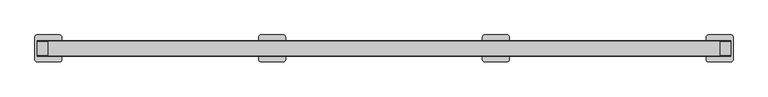
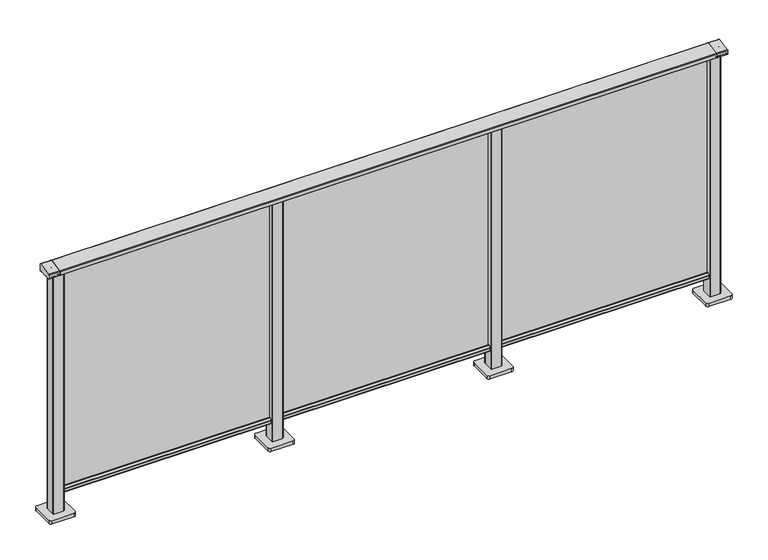
"""IFC4 building model written with IfcOpenShell, lengths in millimetres: railing geometry."""

from ifc_helpers import new_model, si_unit, point, frame, frame_2d, origin, origin_with_axes, place, context, project, spatial, polyline, circle_curve, trimmed, segment, composite_curve, outline, extrude, source, transform, mapped, element, save
from ifc_brep_helpers import plane_surface, cylinder_surface, advanced_brep


def railing_bee9b1e7(model_context):
    return source(origin(), model_context, "Body", "SolidModel", [
        extrude(outline(composite_curve([segment(trimmed(circle_curve(frame_2d((10327.8594975, 1197.0)), 3.0), [point((10327.338553, 1199.9544233))], [point((10330.8594975, 1197.0))], False, "CARTESIAN"), True, "CONTINUOUS"), segment(polyline([(10330.8594975, 1197.0), (10330.8594975, 1169.2)]), True, "CONTINUOUS"), segment(trimmed(circle_curve(frame_2d((10327.8594975, 1169.2)), 3.0), [point((10330.8594975, 1169.2))], [point((10327.8594975, 1166.2))], False, "CARTESIAN"), True, "CONTINUOUS"), segment(polyline([(10327.8594975, 1166.2), (10304.1783618, 1166.2)]), True, "CONTINUOUS"), segment(trimmed(circle_curve(frame_2d((10295.851515, 1183.2818957)), 19.003356), [point((10304.1783618, 1166.2))], [point((10287.5246681, 1166.2))], False, "CARTESIAN"), True, "CONTINUOUS"), segment(polyline([(10287.5246681, 1166.2), (10263.8594975, 1166.2)]), True, "CONTINUOUS"), segment(trimmed(circle_curve(frame_2d((10263.8594975, 1169.2)), 3.0), [point((10263.8594975, 1166.2))], [point((10260.8594975, 1169.2))], False, "CARTESIAN"), True, "CONTINUOUS"), segment(polyline([(10260.8594975, 1169.2), (10260.8594975, 1185.7150732)]), True, "CONTINUOUS"), segment(trimmed(circle_curve(frame_2d((10263.8594975, 1185.7150732)), 3.0), [point((10260.8594975, 1185.7150732))], [point((10263.338553, 1188.6694965))], False, "CARTESIAN"), True, "CONTINUOUS"), segment(polyline([(10263.338553, 1188.6694965), (10327.338553, 1199.9544233)]), True, "CONTINUOUS")], self_intersect=False)), frame((-418.6053075, 0.0, 0.0), z_axis=(1.0, 0.0, 0.0), x_axis=(0.0, 1.0, 0.0)), (0.0, 0.0, 1.0), 3000.0),
        extrude(outline(composite_curve([segment(trimmed(circle_curve(frame_2d((10280.1507946, 101.8)), 1.8), [point((10280.1507946, 100.0))], [point((10278.3507946, 101.8))], False, "CARTESIAN"), True, "CONTINUOUS"), segment(polyline([(10278.3507946, 101.8), (10278.3507946, 115.5269955)]), True, "CONTINUOUS"), segment(trimmed(circle_curve(frame_2d((10280.1507946, 115.5269955)), 1.8), [point((10278.3507946, 115.5269955))], [point((10278.7923377, 116.7079252))], False, "CARTESIAN"), True, "CONTINUOUS"), segment(polyline([(10278.7923377, 116.7079252), (10285.4626112, 124.3809297)]), True, "CONTINUOUS"), segment(trimmed(circle_curve(frame_2d((10286.8210681, 123.2)), 1.8), [point((10285.4626112, 124.3809297))], [point((10286.8210681, 125.0))], False, "CARTESIAN"), True, "CONTINUOUS"), segment(polyline([(10286.8210681, 125.0), (10290.5111103, 125.0), (10291.809167, 113.0), (10299.8924651, 113.0), (10301.1904968, 125.0), (10304.880515, 125.0)]), True, "CONTINUOUS"), segment(trimmed(circle_curve(frame_2d((10304.880515, 123.2)), 1.8), [point((10304.880515, 125.0))], [point((10306.2389697, 124.3809322))], False, "CARTESIAN"), True, "CONTINUOUS"), segment(polyline([(10306.2389697, 124.3809322), (10312.9092682, 116.7079277)]), True, "CONTINUOUS"), segment(trimmed(circle_curve(frame_2d((10311.5508136, 115.5269955)), 1.8), [point((10312.9092682, 116.7079277))], [point((10313.3508136, 115.5269955))], False, "CARTESIAN"), True, "CONTINUOUS"), segment(polyline([(10313.3508136, 115.5269955), (10313.3508136, 101.8)]), True, "CONTINUOUS"), segment(trimmed(circle_curve(frame_2d((10311.5508136, 101.8)), 1.8), [point((10313.3508136, 101.8))], [point((10311.5508136, 100.0))], False, "CARTESIAN"), True, "CONTINUOUS"), segment(polyline([(10311.5508136, 100.0), (10280.1507946, 100.0)]), True, "CONTINUOUS")], self_intersect=False)), frame((-418.6053075, 0.0, 0.0), z_axis=(1.0, 0.0, 0.0), x_axis=(0.0, 1.0, 0.0)), (0.0, 0.0, 1.0), 3000.0),
        extrude(outline(polyline([(-418.6053075, 10293.8508041), (-418.6053075, 10297.8508041), (2581.3946925, 10297.8508041), (2581.3946925, 10293.8508041), (-418.6053075, 10293.8508041)])), frame((0.0, 0.0, 100.0), z_axis=(0.0, 0.0, 1.0), x_axis=(1.0, 0.0, 0.0)), (0.0, 0.0, 1.0), 1070.0),
        extrude(outline(composite_curve([segment(polyline([(1555.994681, 10273.4507816), (1555.994681, 10318.2508046)]), True, "CONTINUOUS"), segment(trimmed(circle_curve(frame_2d((1558.994681, 10318.2508046)), 3.0), [point((1555.994681, 10318.2508046))], [point((1558.994681, 10321.2508046))], False, "CARTESIAN"), True, "CONTINUOUS"), segment(polyline([(1558.994681, 10321.2508046), (1603.794704, 10321.2508046)]), True, "CONTINUOUS"), segment(trimmed(circle_curve(frame_2d((1603.794704, 10318.2508046)), 3.0), [point((1603.794704, 10321.2508046))], [point((1606.794704, 10318.2508046))], False, "CARTESIAN"), True, "CONTINUOUS"), segment(polyline([(1606.794704, 10318.2508046), (1606.794704, 10273.4507816)]), True, "CONTINUOUS"), segment(trimmed(circle_curve(frame_2d((1603.794704, 10273.4507816)), 3.0), [point((1606.794704, 10273.4507816))], [point((1603.794704, 10270.4507816))], False, "CARTESIAN"), True, "CONTINUOUS"), segment(polyline([(1603.794704, 10270.4507816), (1558.994681, 10270.4507816)]), True, "CONTINUOUS"), segment(trimmed(circle_curve(frame_2d((1558.994681, 10273.4507816)), 3.0), [point((1558.994681, 10270.4507816))], [point((1555.994681, 10273.4507816))], False, "CARTESIAN"), True, "CONTINUOUS")], self_intersect=False)), frame((0.0, 0.0, 16.0), z_axis=(0.0, 0.0, 1.0), x_axis=(1.0, 0.0, 0.0)), (0.0, 0.0, 1.0), 1148.2785397),
        extrude(outline(composite_curve([segment(polyline([(1521.394681, 10245.8507931), (1521.394681, 10345.8507931)]), True, "CONTINUOUS"), segment(trimmed(circle_curve(frame_2d((1531.394681, 10345.8507931)), 10.0), [point((1521.394681, 10345.8507931))], [point((1531.394681, 10355.8507931))], False, "CARTESIAN"), True, "CONTINUOUS"), segment(polyline([(1531.394681, 10355.8507931), (1631.394681, 10355.8507931)]), True, "CONTINUOUS"), segment(trimmed(circle_curve(frame_2d((1631.394681, 10345.8507931)), 10.0), [point((1631.394681, 10355.8507931))], [point((1641.394681, 10345.8507931))], False, "CARTESIAN"), True, "CONTINUOUS"), segment(polyline([(1641.394681, 10345.8507931), (1641.394681, 10245.8507931)]), True, "CONTINUOUS"), segment(trimmed(circle_curve(frame_2d((1631.394681, 10245.8507931)), 10.0), [point((1641.394681, 10245.8507931))], [point((1631.394681, 10235.8507931))], False, "CARTESIAN"), True, "CONTINUOUS"), segment(polyline([(1631.394681, 10235.8507931), (1531.394681, 10235.8507931)]), True, "CONTINUOUS"), segment(trimmed(circle_curve(frame_2d((1531.394681, 10245.8507931)), 10.0), [point((1531.394681, 10235.8507931))], [point((1521.394681, 10245.8507931))], False, "CARTESIAN"), True, "CONTINUOUS")], self_intersect=False)), origin_with_axes(), (0.0, 0.0, 1.0), 16.0),
        extrude(outline(composite_curve([segment(polyline([(555.994681, 10273.4507816), (555.994681, 10318.2508046)]), True, "CONTINUOUS"), segment(trimmed(circle_curve(frame_2d((558.994681, 10318.2508046)), 3.0), [point((555.994681, 10318.2508046))], [point((558.994681, 10321.2508046))], False, "CARTESIAN"), True, "CONTINUOUS"), segment(polyline([(558.994681, 10321.2508046), (603.794704, 10321.2508046)]), True, "CONTINUOUS"), segment(trimmed(circle_curve(frame_2d((603.794704, 10318.2508046)), 3.0), [point((603.794704, 10321.2508046))], [point((606.794704, 10318.2508046))], False, "CARTESIAN"), True, "CONTINUOUS"), segment(polyline([(606.794704, 10318.2508046), (606.794704, 10273.4507816)]), True, "CONTINUOUS"), segment(trimmed(circle_curve(frame_2d((603.794704, 10273.4507816)), 3.0), [point((606.794704, 10273.4507816))], [point((603.794704, 10270.4507816))], False, "CARTESIAN"), True, "CONTINUOUS"), segment(polyline([(603.794704, 10270.4507816), (558.994681, 10270.4507816)]), True, "CONTINUOUS"), segment(trimmed(circle_curve(frame_2d((558.994681, 10273.4507816)), 3.0), [point((558.994681, 10270.4507816))], [point((555.994681, 10273.4507816))], False, "CARTESIAN"), True, "CONTINUOUS")], self_intersect=False)), frame((0.0, 0.0, 16.0), z_axis=(0.0, 0.0, 1.0), x_axis=(1.0, 0.0, 0.0)), (0.0, 0.0, 1.0), 1148.2785397),
        extrude(outline(composite_curve([segment(polyline([(521.394681, 10245.8507931), (521.394681, 10345.8507931)]), True, "CONTINUOUS"), segment(trimmed(circle_curve(frame_2d((531.394681, 10345.8507931)), 10.0), [point((521.394681, 10345.8507931))], [point((531.394681, 10355.8507931))], False, "CARTESIAN"), True, "CONTINUOUS"), segment(polyline([(531.394681, 10355.8507931), (631.394681, 10355.8507931)]), True, "CONTINUOUS"), segment(trimmed(circle_curve(frame_2d((631.394681, 10345.8507931)), 10.0), [point((631.394681, 10355.8507931))], [point((641.394681, 10345.8507931))], False, "CARTESIAN"), True, "CONTINUOUS"), segment(polyline([(641.394681, 10345.8507931), (641.394681, 10245.8507931)]), True, "CONTINUOUS"), segment(trimmed(circle_curve(frame_2d((631.394681, 10245.8507931)), 10.0), [point((641.394681, 10245.8507931))], [point((631.394681, 10235.8507931))], False, "CARTESIAN"), True, "CONTINUOUS"), segment(polyline([(631.394681, 10235.8507931), (531.394681, 10235.8507931)]), True, "CONTINUOUS"), segment(trimmed(circle_curve(frame_2d((531.394681, 10245.8507931)), 10.0), [point((531.394681, 10235.8507931))], [point((521.394681, 10245.8507931))], False, "CARTESIAN"), True, "CONTINUOUS")], self_intersect=False)), origin_with_axes(), (0.0, 0.0, 1.0), 16.0),
        extrude(outline(composite_curve([segment(polyline([(2555.994681, 10273.4507816), (2555.994681, 10318.2508046)]), True, "CONTINUOUS"), segment(trimmed(circle_curve(frame_2d((2558.994681, 10318.2508046)), 3.0), [point((2555.994681, 10318.2508046))], [point((2558.994681, 10321.2508046))], False, "CARTESIAN"), True, "CONTINUOUS"), segment(polyline([(2558.994681, 10321.2508046), (2603.794704, 10321.2508046)]), True, "CONTINUOUS"), segment(trimmed(circle_curve(frame_2d((2603.794704, 10318.2508046)), 3.0), [point((2603.794704, 10321.2508046))], [point((2606.794704, 10318.2508046))], False, "CARTESIAN"), True, "CONTINUOUS"), segment(polyline([(2606.794704, 10318.2508046), (2606.794704, 10273.4507816)]), True, "CONTINUOUS"), segment(trimmed(circle_curve(frame_2d((2603.794704, 10273.4507816)), 3.0), [point((2606.794704, 10273.4507816))], [point((2603.794704, 10270.4507816))], False, "CARTESIAN"), True, "CONTINUOUS"), segment(polyline([(2603.794704, 10270.4507816), (2558.994681, 10270.4507816)]), True, "CONTINUOUS"), segment(trimmed(circle_curve(frame_2d((2558.994681, 10273.4507816)), 3.0), [point((2558.994681, 10270.4507816))], [point((2555.994681, 10273.4507816))], False, "CARTESIAN"), True, "CONTINUOUS")], self_intersect=False)), frame((0.0, 0.0, 16.0), z_axis=(0.0, 0.0, 1.0), x_axis=(1.0, 0.0, 0.0)), (0.0, 0.0, 1.0), 1148.2785397),
        extrude(outline(composite_curve([segment(polyline([(2521.394681, 10245.8507931), (2521.394681, 10345.8507931)]), True, "CONTINUOUS"), segment(trimmed(circle_curve(frame_2d((2531.394681, 10345.8507931)), 10.0), [point((2521.394681, 10345.8507931))], [point((2531.394681, 10355.8507931))], False, "CARTESIAN"), True, "CONTINUOUS"), segment(polyline([(2531.394681, 10355.8507931), (2631.394681, 10355.8507931)]), True, "CONTINUOUS"), segment(trimmed(circle_curve(frame_2d((2631.394681, 10345.8507931)), 10.0), [point((2631.394681, 10355.8507931))], [point((2641.394681, 10345.8507931))], False, "CARTESIAN"), True, "CONTINUOUS"), segment(polyline([(2641.394681, 10345.8507931), (2641.394681, 10245.8507931)]), True, "CONTINUOUS"), segment(trimmed(circle_curve(frame_2d((2631.394681, 10245.8507931)), 10.0), [point((2641.394681, 10245.8507931))], [point((2631.394681, 10235.8507931))], False, "CARTESIAN"), True, "CONTINUOUS"), segment(polyline([(2631.394681, 10235.8507931), (2531.394681, 10235.8507931)]), True, "CONTINUOUS"), segment(trimmed(circle_curve(frame_2d((2531.394681, 10245.8507931)), 10.0), [point((2531.394681, 10235.8507931))], [point((2521.394681, 10245.8507931))], False, "CARTESIAN"), True, "CONTINUOUS")], self_intersect=False)), origin_with_axes(), (0.0, 0.0, 1.0), 16.0),
        advanced_brep(
        [(2631.3946925, 10327.338553, 1199.9544233), (2631.3946925, 10263.338553, 1188.6694965), (2631.3946925, 10260.8594975, 1185.7150732), (2631.3946925, 10260.8594975, 1169.2), (2631.3946925, 10263.8594975, 1166.2), (2631.3946925, 10268.6766494, 1166.2), (2631.3946925, 10269.6055852, 1166.9000033), (2631.3946925, 10270.1055852, 1166.4000003), (2631.3946925, 10288.2660875, 1166.4000003), (2631.3946925, 10288.859963, 1165.6114192), (2631.3946925, 10302.8396379, 1165.6106384), (2631.3946925, 10303.4355206, 1166.4000003), (2631.3946925, 10321.5455028, 1166.4000003), (2631.3946925, 10322.1185784, 1166.9730759), (2631.3946925, 10323.0095836, 1166.2), (2631.3946925, 10327.8594975, 1166.2), (2631.3946925, 10330.8594975, 1169.2), (2631.3946925, 10330.8594975, 1197.0), (2581.3946925, 10327.338553, 1199.9544233), (2581.3946925, 10330.8594975, 1197.0), (2581.3946925, 10330.8594975, 1169.2), (2581.3946925, 10327.8594975, 1166.2), (2581.3946925, 10323.0095836, 1166.2), (2581.3946925, 10322.1185784, 1166.9730759), (2581.3946925, 10321.5455028, 1166.4000003), (2581.3946925, 10303.4355206, 1166.4000003), (2581.3946925, 10302.8430669, 1165.6114192), (2581.3946925, 10288.8599685, 1165.6114328), (2581.3946925, 10288.2660875, 1166.4000003), (2581.3946925, 10270.1055852, 1166.4000003), (2581.3946925, 10269.6055852, 1166.9000033), (2581.3946925, 10268.6766494, 1166.2), (2581.3946925, 10263.8594975, 1166.2), (2581.3946925, 10260.8594975, 1169.2), (2581.3946925, 10260.8594975, 1185.7150732), (2581.3946925, 10263.338553, 1188.6694965)],
        [
            (0, 1),
            (1, 2, circle_curve(frame((2631.3946925, 10263.8594975, 1185.7150732), z_axis=(1.0, 0.0, 0.0), x_axis=(0.0, -1.0, 0.0)), 3.0)),
            (2, 3),
            (3, 4, circle_curve(frame((2631.3946925, 10263.8594975, 1169.2), z_axis=(1.0, 0.0, 0.0), x_axis=(0.0, 0.0, -1.0)), 3.0)),
            (4, 5),
            (5, 6, circle_curve(frame((2631.3946925, 10268.6943877, 1167.1428319), z_axis=(1.0, 0.0, 0.0), x_axis=(0.0, 1.0, 0.0)), 0.9429987)),
            (6, 7, circle_curve(frame((2631.3946925, 10270.1055852, 1166.9000003), z_axis=(1.0, 0.0, 0.0), x_axis=(0.0, 0.0, -1.0)), 0.5)),
            (7, 8),
            (8, 9, circle_curve(frame((2631.3946925, 10289.2114065, 1166.4940192), z_axis=(1.0, 0.0, 0.0), x_axis=(0.0, -1.0, 0.0)), 0.9499829)),
            (9, 10, circle_curve(frame((2631.3946925, 10295.851515, 1183.2818957), z_axis=(1.0, 0.0, 0.0), x_axis=(0.0, 1.0, 0.0)), 19.003356)),
            (10, 11, circle_curve(frame((2631.3946925, 10302.4902016, 1166.4940192), z_axis=(1.0, 0.0, 0.0), x_axis=(0.0, 1.0, 0.0)), 0.9499829)),
            (11, 12),
            (12, 13, circle_curve(frame((2631.3946925, 10321.5455028, 1166.9730759), z_axis=(1.0, 0.0, 0.0), x_axis=(0.0, 1.0, 0.0)), 0.5730756)),
            (13, 14, circle_curve(frame((2631.3946925, 10323.0095836, 1167.1), z_axis=(1.0, 0.0, 0.0), x_axis=(0.0, 0.0, -1.0)), 0.9)),
            (14, 15),
            (15, 16, circle_curve(frame((2631.3946925, 10327.8594975, 1169.2), z_axis=(1.0, 0.0, 0.0), x_axis=(0.0, 1.0, 0.0)), 3.0)),
            (16, 17),
            (17, 0, circle_curve(frame((2631.3946925, 10327.8594975, 1197.0), z_axis=(1.0, 0.0, 0.0), x_axis=(0.0, -0.1736481776670499, 0.984807753012187)), 3.0)),
            (18, 19, circle_curve(frame((2581.3946925, 10327.8594975, 1197.0), z_axis=(-1.0, 0.0, 0.0), x_axis=(0.0, -0.1736481776670499, 0.984807753012187)), 3.0)),
            (19, 20),
            (20, 21, circle_curve(frame((2581.3946925, 10327.8594975, 1169.2), z_axis=(-1.0, 0.0, 0.0), x_axis=(0.0, 1.0, 0.0)), 3.0)),
            (21, 22),
            (22, 23, circle_curve(frame((2581.3946925, 10323.0095836, 1167.1), z_axis=(-1.0, 0.0, 0.0), x_axis=(0.0, 0.0, -1.0)), 0.9)),
            (23, 24, circle_curve(frame((2581.3946925, 10321.5455028, 1166.9730759), z_axis=(-1.0, 0.0, 0.0), x_axis=(0.0, 1.0, 0.0)), 0.5730756)),
            (24, 25),
            (25, 26, circle_curve(frame((2581.3946925, 10302.4902016, 1166.4940192), z_axis=(-1.0, 0.0, 0.0), x_axis=(0.0, 1.0, 0.0)), 0.9499829)),
            (26, 27, circle_curve(frame((2581.3946925, 10295.851515, 1183.2818957), z_axis=(-1.0, 0.0, 0.0), x_axis=(0.0, 1.0, 0.0)), 19.003356)),
            (27, 28, circle_curve(frame((2581.3946925, 10289.2114065, 1166.4940192), z_axis=(-1.0, 0.0, 0.0), x_axis=(0.0, -1.0, 0.0)), 0.9499829)),
            (28, 29),
            (29, 30, circle_curve(frame((2581.3946925, 10270.1055852, 1166.9000003), z_axis=(-1.0, 0.0, 0.0), x_axis=(0.0, 0.0, -1.0)), 0.5)),
            (30, 31, circle_curve(frame((2581.3946925, 10268.6943877, 1167.1428319), z_axis=(-1.0, 0.0, 0.0), x_axis=(0.0, 1.0, 0.0)), 0.9429987)),
            (31, 32),
            (32, 33, circle_curve(frame((2581.3946925, 10263.8594975, 1169.2), z_axis=(-1.0, 0.0, 0.0), x_axis=(0.0, 0.0, -1.0)), 3.0)),
            (33, 34),
            (34, 35, circle_curve(frame((2581.3946925, 10263.8594975, 1185.7150732), z_axis=(-1.0, 0.0, 0.0), x_axis=(0.0, -1.0, 0.0)), 3.0)),
            (35, 18),
            (17, 19),
            (18, 0),
            (16, 20),
            (15, 21),
            (14, 22),
            (13, 23),
            (12, 24),
            (11, 25),
            (10, 26),
            (9, 27),
            (8, 28),
            (7, 29),
            (6, 30),
            (5, 31),
            (4, 32),
            (3, 33),
            (2, 34),
            (1, 35),
        ],
        [
            plane_surface(frame((2631.3946925, 10295.8508041, 1168.2356773), z_axis=(1.0, 0.0, 0.0), x_axis=(0.0, -1.0, 0.0))),
            plane_surface(frame((2581.3946925, 10295.8508041, 1168.2356773), z_axis=(-1.0, 0.0, 0.0), x_axis=(0.0, -1.0, 0.0))),
            cylinder_surface(frame((2631.3946925, 10327.8594975, 1197.0), z_axis=(1.0000000000000002, 0.0, 0.0), x_axis=(0.0, -0.1736481776670499, 0.984807753012187)), 3.0),
            plane_surface(frame((2631.3946925, 10330.8594975, 1197.0), z_axis=(0.0, 1.0, 0.0), x_axis=(-1.0, 0.0, 0.0))),
            cylinder_surface(frame((2631.3946925, 10327.8594975, 1169.2), z_axis=(1.0, 0.0, 0.0), x_axis=(0.0, 1.0, 0.0)), 3.0),
            plane_surface(frame((2631.3946925, 10327.8594975, 1166.2), z_axis=(0.0, 0.0, -1.0), x_axis=(-1.0, 0.0, 0.0))),
            cylinder_surface(frame((2631.3946925, 10323.0095836, 1167.1), z_axis=(1.0, 0.0, 0.0), x_axis=(0.0, 0.0, -1.0)), 0.9),
            cylinder_surface(frame((2631.3946925, 10321.5455028, 1166.9730759), z_axis=(1.0, 0.0, 0.0), x_axis=(0.0, 1.0, 0.0)), 0.5730756),
            plane_surface(frame((2631.3946925, 10321.5455028, 1166.4000003), z_axis=(0.0, 0.0, -1.0), x_axis=(-1.0, 0.0, 0.0))),
            cylinder_surface(frame((2631.3946925, 10302.4902016, 1166.4940192), z_axis=(1.0, 0.0, 0.0), x_axis=(0.0, 1.0, 0.0)), 0.9499829),
            cylinder_surface(frame((2631.3946925, 10295.851515, 1183.2818957), z_axis=(1.0, 0.0, 0.0), x_axis=(0.0, 1.0, 0.0)), 19.003356),
            cylinder_surface(frame((2631.3946925, 10289.2114065, 1166.4940192), z_axis=(1.0, 0.0, 0.0), x_axis=(0.0, -1.0, 0.0)), 0.9499829),
            plane_surface(frame((2631.3946925, 10288.2660875, 1166.4000003), z_axis=(0.0, 0.0, -1.0), x_axis=(-1.0, 0.0, 0.0))),
            cylinder_surface(frame((2631.3946925, 10270.1055852, 1166.9000003), z_axis=(1.0, 0.0, 0.0), x_axis=(0.0, 0.0, -1.0)), 0.5),
            cylinder_surface(frame((2631.3946925, 10268.6943877, 1167.1428319), z_axis=(1.0, 0.0, 0.0), x_axis=(0.0, 1.0, 0.0)), 0.9429987),
            plane_surface(frame((2631.3946925, 10268.6766494, 1166.2), z_axis=(0.0, 0.0, -1.0), x_axis=(-1.0, 0.0, 0.0))),
            cylinder_surface(frame((2631.3946925, 10263.8594975, 1169.2), z_axis=(1.0, 0.0, 0.0), x_axis=(0.0, 0.0, -1.0)), 3.0),
            plane_surface(frame((2631.3946925, 10260.8594975, 1169.2), z_axis=(0.0, -1.0, 0.0), x_axis=(-1.0, 0.0, 0.0))),
            cylinder_surface(frame((2631.3946925, 10263.8594975, 1185.7150732), z_axis=(1.0, 0.0, 0.0), x_axis=(0.0, -1.0, 0.0)), 3.0),
            plane_surface(frame((2631.3946925, 10263.338553, 1188.6694965), z_axis=(0.0, -0.17364817766695742, 0.9848077530122034), x_axis=(-1.0, 0.0, 0.0))),
        ],
        [
            (0, [[1, 2, 3, 4, 5, 6, 7, 8, 9, 10, 11, 12, 13, 14, 15, 16, 17, 18]]),
            (1, [[19, 20, 21, 22, 23, 24, 25, 26, 27, 28, 29, 30, 31, 32, 33, 34, 35, 36]]),
            (2, [[37, -19, 38, -18]]),
            (3, [[39, -20, -37, -17]]),
            (4, [[40, -21, -39, -16]]),
            (5, [[41, -22, -40, -15]]),
            (6, [[42, -23, -41, -14]]),
            (7, [[43, -24, -42, -13]]),
            (8, [[44, -25, -43, -12]]),
            (9, [[45, -26, -44, -11]]),
            (10, [[46, -27, -45, -10]]),
            (11, [[47, -28, -46, -9]]),
            (12, [[48, -29, -47, -8]]),
            (13, [[49, -30, -48, -7]]),
            (14, [[50, -31, -49, -6]]),
            (15, [[51, -32, -50, -5]]),
            (16, [[52, -33, -51, -4]]),
            (17, [[53, -34, -52, -3]]),
            (18, [[54, -35, -53, -2]]),
            (19, [[-38, -36, -54, -1]]),
        ],
    ),
        extrude(outline(composite_curve([segment(polyline([(-444.005319, 10273.4507816), (-444.005319, 10318.2508046)]), True, "CONTINUOUS"), segment(trimmed(circle_curve(frame_2d((-441.005319, 10318.2508046)), 3.0), [point((-444.005319, 10318.2508046))], [point((-441.005319, 10321.2508046))], False, "CARTESIAN"), True, "CONTINUOUS"), segment(polyline([(-441.005319, 10321.2508046), (-396.205296, 10321.2508046)]), True, "CONTINUOUS"), segment(trimmed(circle_curve(frame_2d((-396.205296, 10318.2508046)), 3.0), [point((-396.205296, 10321.2508046))], [point((-393.205296, 10318.2508046))], False, "CARTESIAN"), True, "CONTINUOUS"), segment(polyline([(-393.205296, 10318.2508046), (-393.205296, 10273.4507816)]), True, "CONTINUOUS"), segment(trimmed(circle_curve(frame_2d((-396.205296, 10273.4507816)), 3.0), [point((-393.205296, 10273.4507816))], [point((-396.205296, 10270.4507816))], False, "CARTESIAN"), True, "CONTINUOUS"), segment(polyline([(-396.205296, 10270.4507816), (-441.005319, 10270.4507816)]), True, "CONTINUOUS"), segment(trimmed(circle_curve(frame_2d((-441.005319, 10273.4507816)), 3.0), [point((-441.005319, 10270.4507816))], [point((-444.005319, 10273.4507816))], False, "CARTESIAN"), True, "CONTINUOUS")], self_intersect=False)), frame((0.0, 0.0, 16.0), z_axis=(0.0, 0.0, 1.0), x_axis=(1.0, 0.0, 0.0)), (0.0, 0.0, 1.0), 1148.2785397),
        extrude(outline(composite_curve([segment(polyline([(-478.605319, 10245.8507931), (-478.605319, 10345.8507931)]), True, "CONTINUOUS"), segment(trimmed(circle_curve(frame_2d((-468.605319, 10345.8507931)), 10.0), [point((-478.605319, 10345.8507931))], [point((-468.605319, 10355.8507931))], False, "CARTESIAN"), True, "CONTINUOUS"), segment(polyline([(-468.605319, 10355.8507931), (-368.605319, 10355.8507931)]), True, "CONTINUOUS"), segment(trimmed(circle_curve(frame_2d((-368.605319, 10345.8507931)), 10.0), [point((-368.605319, 10355.8507931))], [point((-358.605319, 10345.8507931))], False, "CARTESIAN"), True, "CONTINUOUS"), segment(polyline([(-358.605319, 10345.8507931), (-358.605319, 10245.8507931)]), True, "CONTINUOUS"), segment(trimmed(circle_curve(frame_2d((-368.605319, 10245.8507931)), 10.0), [point((-358.605319, 10245.8507931))], [point((-368.605319, 10235.8507931))], False, "CARTESIAN"), True, "CONTINUOUS"), segment(polyline([(-368.605319, 10235.8507931), (-468.605319, 10235.8507931)]), True, "CONTINUOUS"), segment(trimmed(circle_curve(frame_2d((-468.605319, 10245.8507931)), 10.0), [point((-468.605319, 10235.8507931))], [point((-478.605319, 10245.8507931))], False, "CARTESIAN"), True, "CONTINUOUS")], self_intersect=False)), origin_with_axes(), (0.0, 0.0, 1.0), 16.0),
        advanced_brep(
        [(-418.6053075, 10327.338553, 1199.9544233), (-418.6053075, 10263.338553, 1188.6694965), (-418.6053075, 10260.8594975, 1185.7150732), (-418.6053075, 10260.8594975, 1169.2), (-418.6053075, 10263.8594975, 1166.2), (-418.6053075, 10268.6766494, 1166.2), (-418.6053075, 10269.6055852, 1166.9000033), (-418.6053075, 10270.1055852, 1166.4000003), (-418.6053075, 10288.2660875, 1166.4000003), (-418.6053075, 10288.859963, 1165.6114192), (-418.6053075, 10302.8396379, 1165.6106384), (-418.6053075, 10303.4355206, 1166.4000003), (-418.6053075, 10321.5455028, 1166.4000003), (-418.6053075, 10322.1185784, 1166.9730759), (-418.6053075, 10323.0095836, 1166.2), (-418.6053075, 10327.8594975, 1166.2), (-418.6053075, 10330.8594975, 1169.2), (-418.6053075, 10330.8594975, 1197.0), (-468.6053075, 10327.338553, 1199.9544233), (-468.6053075, 10330.8594975, 1197.0), (-468.6053075, 10330.8594975, 1169.2), (-468.6053075, 10327.8594975, 1166.2), (-468.6053075, 10323.0095836, 1166.2), (-468.6053075, 10322.1185784, 1166.9730759), (-468.6053075, 10321.5455028, 1166.4000003), (-468.6053075, 10303.4355206, 1166.4000003), (-468.6053075, 10302.8430669, 1165.6114192), (-468.6053075, 10288.8599685, 1165.6114328), (-468.6053075, 10288.2660875, 1166.4000003), (-468.6053075, 10270.1055852, 1166.4000003), (-468.6053075, 10269.6055852, 1166.9000033), (-468.6053075, 10268.6766494, 1166.2), (-468.6053075, 10263.8594975, 1166.2), (-468.6053075, 10260.8594975, 1169.2), (-468.6053075, 10260.8594975, 1185.7150732), (-468.6053075, 10263.338553, 1188.6694965)],
        [
            (0, 1),
            (1, 2, circle_curve(frame((-418.6053075, 10263.8594975, 1185.7150732), z_axis=(1.0, 0.0, 0.0), x_axis=(0.0, -1.0, 0.0)), 3.0)),
            (2, 3),
            (3, 4, circle_curve(frame((-418.6053075, 10263.8594975, 1169.2), z_axis=(1.0, 0.0, 0.0), x_axis=(0.0, 0.0, -1.0)), 3.0)),
            (4, 5),
            (5, 6, circle_curve(frame((-418.6053075, 10268.6943877, 1167.1428319), z_axis=(1.0, 0.0, 0.0), x_axis=(0.0, 1.0, 0.0)), 0.9429987)),
            (6, 7, circle_curve(frame((-418.6053075, 10270.1055852, 1166.9000003), z_axis=(1.0, 0.0, 0.0), x_axis=(0.0, 0.0, -1.0)), 0.5)),
            (7, 8),
            (8, 9, circle_curve(frame((-418.6053075, 10289.2114065, 1166.4940192), z_axis=(1.0, 0.0, 0.0), x_axis=(0.0, -1.0, 0.0)), 0.9499829)),
            (9, 10, circle_curve(frame((-418.6053075, 10295.851515, 1183.2818957), z_axis=(1.0, 0.0, 0.0), x_axis=(0.0, 1.0, 0.0)), 19.003356)),
            (10, 11, circle_curve(frame((-418.6053075, 10302.4902016, 1166.4940192), z_axis=(1.0, 0.0, 0.0), x_axis=(0.0, 1.0, 0.0)), 0.9499829)),
            (11, 12),
            (12, 13, circle_curve(frame((-418.6053075, 10321.5455028, 1166.9730759), z_axis=(1.0, 0.0, 0.0), x_axis=(0.0, 1.0, 0.0)), 0.5730756)),
            (13, 14, circle_curve(frame((-418.6053075, 10323.0095836, 1167.1), z_axis=(1.0, 0.0, 0.0), x_axis=(0.0, 0.0, -1.0)), 0.9)),
            (14, 15),
            (15, 16, circle_curve(frame((-418.6053075, 10327.8594975, 1169.2), z_axis=(1.0, 0.0, 0.0), x_axis=(0.0, 1.0, 0.0)), 3.0)),
            (16, 17),
            (17, 0, circle_curve(frame((-418.6053075, 10327.8594975, 1197.0), z_axis=(1.0, 0.0, 0.0), x_axis=(0.0, -0.1736481776670499, 0.984807753012187)), 3.0)),
            (18, 19, circle_curve(frame((-468.6053075, 10327.8594975, 1197.0), z_axis=(-1.0, 0.0, 0.0), x_axis=(0.0, -0.1736481776670499, 0.984807753012187)), 3.0)),
            (19, 20),
            (20, 21, circle_curve(frame((-468.6053075, 10327.8594975, 1169.2), z_axis=(-1.0, 0.0, 0.0), x_axis=(0.0, 1.0, 0.0)), 3.0)),
            (21, 22),
            (22, 23, circle_curve(frame((-468.6053075, 10323.0095836, 1167.1), z_axis=(-1.0, 0.0, 0.0), x_axis=(0.0, 0.0, -1.0)), 0.9)),
            (23, 24, circle_curve(frame((-468.6053075, 10321.5455028, 1166.9730759), z_axis=(-1.0, 0.0, 0.0), x_axis=(0.0, 1.0, 0.0)), 0.5730756)),
            (24, 25),
            (25, 26, circle_curve(frame((-468.6053075, 10302.4902016, 1166.4940192), z_axis=(-1.0, 0.0, 0.0), x_axis=(0.0, 1.0, 0.0)), 0.9499829)),
            (26, 27, circle_curve(frame((-468.6053075, 10295.851515, 1183.2818957), z_axis=(-1.0, 0.0, 0.0), x_axis=(0.0, 1.0, 0.0)), 19.003356)),
            (27, 28, circle_curve(frame((-468.6053075, 10289.2114065, 1166.4940192), z_axis=(-1.0, 0.0, 0.0), x_axis=(0.0, -1.0, 0.0)), 0.9499829)),
            (28, 29),
            (29, 30, circle_curve(frame((-468.6053075, 10270.1055852, 1166.9000003), z_axis=(-1.0, 0.0, 0.0), x_axis=(0.0, 0.0, -1.0)), 0.5)),
            (30, 31, circle_curve(frame((-468.6053075, 10268.6943877, 1167.1428319), z_axis=(-1.0, 0.0, 0.0), x_axis=(0.0, 1.0, 0.0)), 0.9429987)),
            (31, 32),
            (32, 33, circle_curve(frame((-468.6053075, 10263.8594975, 1169.2), z_axis=(-1.0, 0.0, 0.0), x_axis=(0.0, 0.0, -1.0)), 3.0)),
            (33, 34),
            (34, 35, circle_curve(frame((-468.6053075, 10263.8594975, 1185.7150732), z_axis=(-1.0, 0.0, 0.0), x_axis=(0.0, -1.0, 0.0)), 3.0)),
            (35, 18),
            (17, 19),
            (18, 0),
            (16, 20),
            (15, 21),
            (14, 22),
            (13, 23),
            (12, 24),
            (11, 25),
            (10, 26),
            (9, 27),
            (8, 28),
            (7, 29),
            (6, 30),
            (5, 31),
            (4, 32),
            (3, 33),
            (2, 34),
            (1, 35),
        ],
        [
            plane_surface(frame((-418.6053075, 10295.8508041, 1168.2356773), z_axis=(1.0, 0.0, 0.0), x_axis=(0.0, -1.0, 0.0))),
            plane_surface(frame((-468.6053075, 10295.8508041, 1168.2356773), z_axis=(-1.0, 0.0, 0.0), x_axis=(0.0, -1.0, 0.0))),
            cylinder_surface(frame((-418.6053075, 10327.8594975, 1197.0), z_axis=(1.0000000000000002, 0.0, 0.0), x_axis=(0.0, -0.1736481776670499, 0.984807753012187)), 3.0),
            plane_surface(frame((-418.6053075, 10330.8594975, 1197.0), z_axis=(0.0, 1.0, 0.0), x_axis=(-1.0, 0.0, 0.0))),
            cylinder_surface(frame((-418.6053075, 10327.8594975, 1169.2), z_axis=(1.0, 0.0, 0.0), x_axis=(0.0, 1.0, 0.0)), 3.0),
            plane_surface(frame((-418.6053075, 10327.8594975, 1166.2), z_axis=(0.0, 0.0, -1.0), x_axis=(-1.0, 0.0, 0.0))),
            cylinder_surface(frame((-418.6053075, 10323.0095836, 1167.1), z_axis=(1.0, 0.0, 0.0), x_axis=(0.0, 0.0, -1.0)), 0.9),
            cylinder_surface(frame((-418.6053075, 10321.5455028, 1166.9730759), z_axis=(1.0, 0.0, 0.0), x_axis=(0.0, 1.0, 0.0)), 0.5730756),
            plane_surface(frame((-418.6053075, 10321.5455028, 1166.4000003), z_axis=(0.0, 0.0, -1.0), x_axis=(-1.0, 0.0, 0.0))),
            cylinder_surface(frame((-418.6053075, 10302.4902016, 1166.4940192), z_axis=(1.0, 0.0, 0.0), x_axis=(0.0, 1.0, 0.0)), 0.9499829),
            cylinder_surface(frame((-418.6053075, 10295.851515, 1183.2818957), z_axis=(1.0, 0.0, 0.0), x_axis=(0.0, 1.0, 0.0)), 19.003356),
            cylinder_surface(frame((-418.6053075, 10289.2114065, 1166.4940192), z_axis=(1.0, 0.0, 0.0), x_axis=(0.0, -1.0, 0.0)), 0.9499829),
            plane_surface(frame((-418.6053075, 10288.2660875, 1166.4000003), z_axis=(0.0, 0.0, -1.0), x_axis=(-1.0, 0.0, 0.0))),
            cylinder_surface(frame((-418.6053075, 10270.1055852, 1166.9000003), z_axis=(1.0, 0.0, 0.0), x_axis=(0.0, 0.0, -1.0)), 0.5),
            cylinder_surface(frame((-418.6053075, 10268.6943877, 1167.1428319), z_axis=(1.0, 0.0, 0.0), x_axis=(0.0, 1.0, 0.0)), 0.9429987),
            plane_surface(frame((-418.6053075, 10268.6766494, 1166.2), z_axis=(0.0, 0.0, -1.0), x_axis=(-1.0, 0.0, 0.0))),
            cylinder_surface(frame((-418.6053075, 10263.8594975, 1169.2), z_axis=(1.0, 0.0, 0.0), x_axis=(0.0, 0.0, -1.0)), 3.0),
            plane_surface(frame((-418.6053075, 10260.8594975, 1169.2), z_axis=(0.0, -1.0, 0.0), x_axis=(-1.0, 0.0, 0.0))),
            cylinder_surface(frame((-418.6053075, 10263.8594975, 1185.7150732), z_axis=(1.0, 0.0, 0.0), x_axis=(0.0, -1.0, 0.0)), 3.0),
            plane_surface(frame((-418.6053075, 10263.338553, 1188.6694965), z_axis=(0.0, -0.17364817766695742, 0.9848077530122034), x_axis=(-1.0, 0.0, 0.0))),
        ],
        [
            (0, [[1, 2, 3, 4, 5, 6, 7, 8, 9, 10, 11, 12, 13, 14, 15, 16, 17, 18]]),
            (1, [[19, 20, 21, 22, 23, 24, 25, 26, 27, 28, 29, 30, 31, 32, 33, 34, 35, 36]]),
            (2, [[37, -19, 38, -18]]),
            (3, [[39, -20, -37, -17]]),
            (4, [[40, -21, -39, -16]]),
            (5, [[41, -22, -40, -15]]),
            (6, [[42, -23, -41, -14]]),
            (7, [[43, -24, -42, -13]]),
            (8, [[44, -25, -43, -12]]),
            (9, [[45, -26, -44, -11]]),
            (10, [[46, -27, -45, -10]]),
            (11, [[47, -28, -46, -9]]),
            (12, [[48, -29, -47, -8]]),
            (13, [[49, -30, -48, -7]]),
            (14, [[50, -31, -49, -6]]),
            (15, [[51, -32, -50, -5]]),
            (16, [[52, -33, -51, -4]]),
            (17, [[53, -34, -52, -3]]),
            (18, [[54, -35, -53, -2]]),
            (19, [[-38, -36, -54, -1]]),
        ],
    ),
    ])


if __name__ == "__main__":
    model = new_model("IFC4")
    model_context = context("Model", 3, world=origin())
    ifc_project = project(units=[si_unit("LENGTHUNIT", "METRE", prefix="MILLI")], contexts=[model_context])
    site = spatial("IfcSite", under=ifc_project)
    building = spatial("IfcBuilding", under=site)
    placement = place(None, origin())
    railing_shape = railing_bee9b1e7(model_context)
    element("IfcRailing", 1, at=placement, inside=building, context=model_context, shape_type="MappedRepresentation", body=[
        mapped(railing_shape, transform((0.0, 0.0, 0.0), x_axis=(1.0, 0.0, 0.0), y_axis=(0.0, 1.0, 0.0), z_axis=(0.0, 0.0, 1.0))),
    ])
    save(model, "model.ifc")
